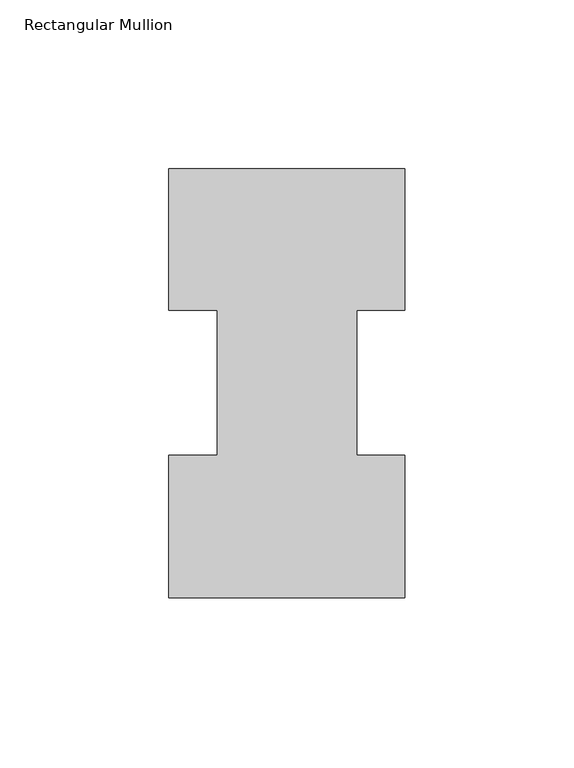
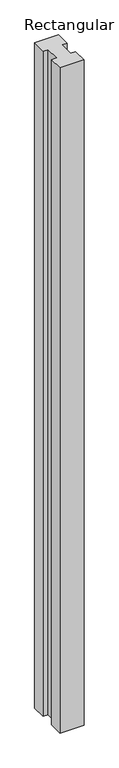
"""IFC4 building model written with IfcOpenShell, lengths in millimetres: member geometry, Rectangular Mullion."""

from ifc_helpers import new_model, si_unit, frame, origin, place, context, project, spatial, polyline, outline, extrude, source, transform, mapped, element, save


def rectangular_mullion_cb65ab13(model_context):
    return source(origin(), model_context, "Body", "SweptSolid", [
        extrude(outline(polyline([(34.925, 127.0107359), (34.925, 85.1296875), (20.64004, 85.1296875), (20.64004, 42.2763359), (34.925, 42.2763359), (34.925, 0.0107359), (-34.925, 0.0107359), (-34.925, 42.2834391), (-20.64004, 42.2834391), (-20.64004, 85.1296875), (-34.925, 85.1296875), (-34.925, 127.0107359), (34.925, 127.0107359)])), frame((0.0, 0.0, -2044.4591858), z_axis=(0.0, 0.0, 1.0), x_axis=(1.0, 0.0, 0.0)), (0.0, 0.0, 1.0), 2044.4591858),
    ])


if __name__ == "__main__":
    model = new_model("IFC4")
    model_context = context("Model", 3, world=origin())
    ifc_project = project(units=[si_unit("LENGTHUNIT", "METRE", prefix="MILLI")], contexts=[model_context])
    site = spatial("IfcSite", under=ifc_project)
    building = spatial("IfcBuilding", under=site)
    placement = place(None, origin())
    rectangular_mullion_shape = rectangular_mullion_cb65ab13(model_context)
    element("IfcMember", 1, ObjectType="Rectangular Mullion", at=placement, inside=building, context=model_context, shape_type="MappedRepresentation", body=[
        mapped(rectangular_mullion_shape, transform((0.0, 0.0, 0.0), x_axis=(1.0, 0.0, 0.0), y_axis=(0.0, 1.0, 0.0), z_axis=(0.0, 0.0, 1.0))),
    ])
    save(model, "model.ifc")
